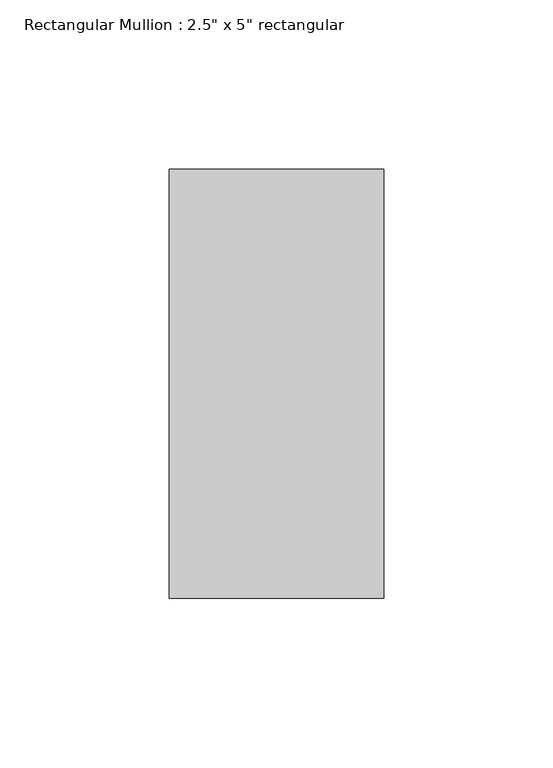
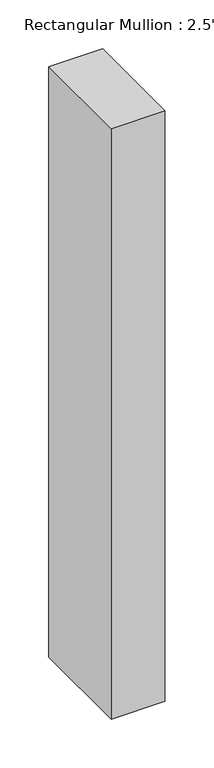
"""IFC4 building model written with IfcOpenShell, lengths in millimetres: member geometry."""

from ifc_helpers import new_model, si_unit, frame, origin, place, context, project, spatial, polyline, outline, extrude, source, transform, mapped, element, save


def member_3d7c4007(model_context):
    return source(origin(), model_context, "Body", "SweptSolid", [
        extrude(outline(polyline([(31.75, 63.5), (31.75, -63.5), (-31.75, -63.5), (-31.75, 63.5), (31.75, 63.5)])), frame((0.0, 0.0, -736.5), z_axis=(0.0, 0.0, 1.0), x_axis=(1.0, 0.0, 0.0)), (0.0, 0.0, 1.0), 736.5),
    ])


if __name__ == "__main__":
    model = new_model("IFC4")
    model_context = context("Model", 3, world=origin())
    ifc_project = project(units=[si_unit("LENGTHUNIT", "METRE", prefix="MILLI")], contexts=[model_context])
    site = spatial("IfcSite", under=ifc_project)
    building = spatial("IfcBuilding", under=site)
    placement = place(None, origin())
    member_shape = member_3d7c4007(model_context)
    element("IfcMember", 1, ObjectType="Rectangular Mullion : 2.5\" x 5\" rectangular", at=placement, inside=building, context=model_context, shape_type="MappedRepresentation", body=[
        mapped(member_shape, transform((0.0, 0.0, 0.0), x_axis=(1.0, 0.0, 0.0), y_axis=(0.0, 1.0, 0.0), z_axis=(0.0, 0.0, 1.0))),
    ])
    save(model, "model.ifc")
